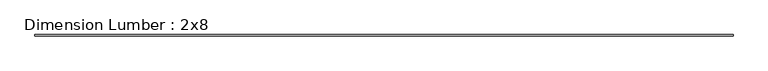
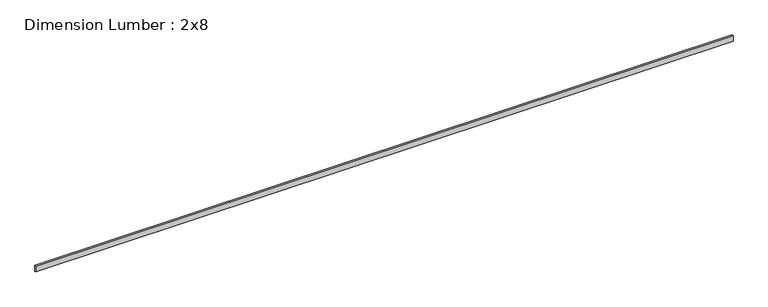
"""IFC4 building model written with IfcOpenShell, lengths in millimetres: beam geometry, Dimension Lumber : 2x8."""

from ifc_helpers import new_model, si_unit, frame, origin, place, context, project, spatial, polyline, outline, extrude, source, transform, mapped, element, save


def dimension_lumber_2x8_f8978659(model_context):
    return source(origin(), model_context, "Body", "SweptSolid", [
        extrude(outline(polyline([(10766.59681, 19.05), (10766.59681, -19.05), (-10766.59681, -19.05), (-10766.59681, 19.05), (10766.59681, 19.05)])), frame((0.0, 0.0, -92.075), z_axis=(0.0, 0.0, 1.0), x_axis=(1.0, 0.0, 0.0)), (0.0, 0.0, 1.0), 184.15),
    ])


if __name__ == "__main__":
    model = new_model("IFC4")
    model_context = context("Model", 3, world=origin())
    ifc_project = project(units=[si_unit("LENGTHUNIT", "METRE", prefix="MILLI")], contexts=[model_context])
    site = spatial("IfcSite", under=ifc_project)
    building = spatial("IfcBuilding", under=site)
    placement = place(None, origin())
    dimension_lumber_2x8_shape = dimension_lumber_2x8_f8978659(model_context)
    element("IfcBeam", 1, ObjectType="Dimension Lumber : 2x8", at=placement, inside=building, context=model_context, shape_type="MappedRepresentation", body=[
        mapped(dimension_lumber_2x8_shape, transform((0.0, 0.0, 0.0), x_axis=(1.0, 0.0, 0.0), y_axis=(0.0, 1.0, 0.0), z_axis=(0.0, 0.0, 1.0))),
    ])
    save(model, "model.ifc")
